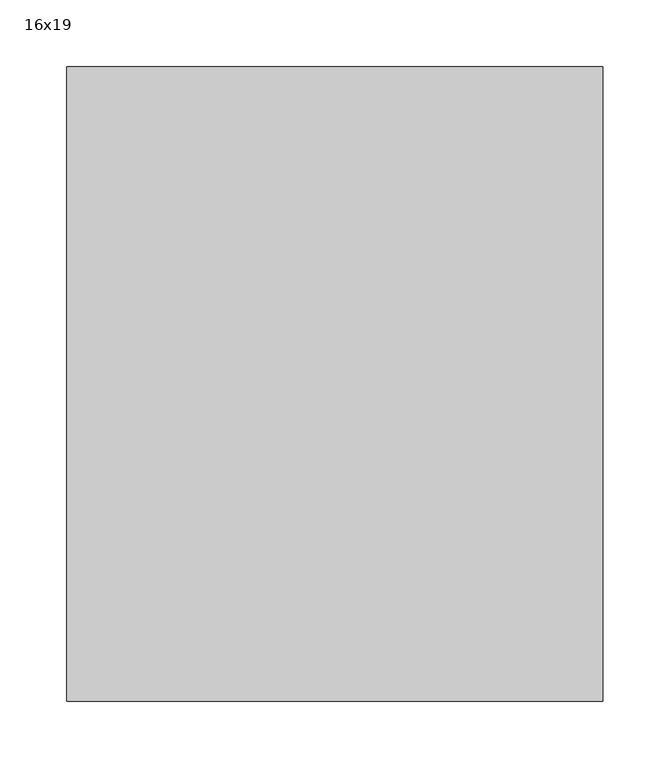
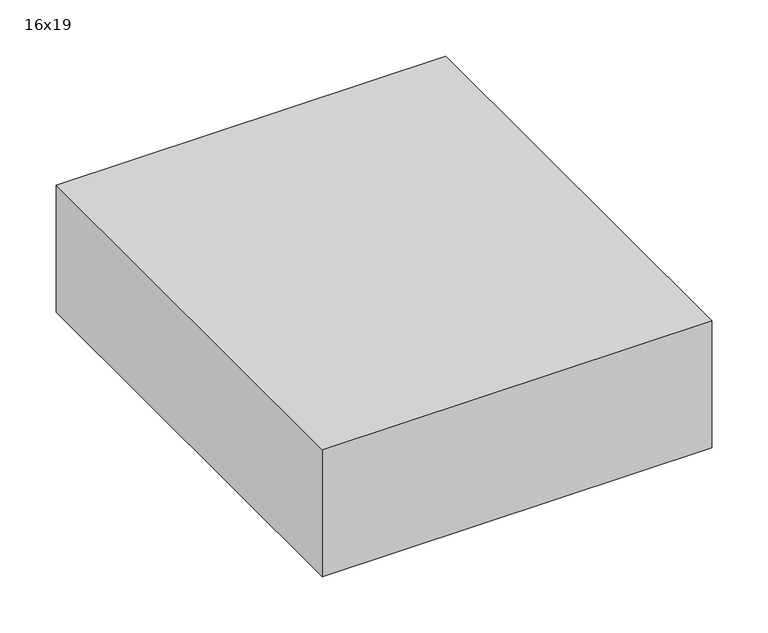
"""IFC4 building model written with IfcOpenShell, lengths in millimetres: alarm geometry, 16x19."""

from ifc_helpers import new_model, si_unit, frame, origin, place, context, project, spatial, polyline, outline, extrude, source, transform, mapped, element, save


def alarm_16x19_7f16a0a7(model_context):
    return source(origin(), model_context, "Body", "SweptSolid", [
        extrude(outline(polyline([(200.421875, 0.0), (200.421875, -474.265625), (-200.421875, -474.265625), (-200.421875, 0.0), (200.421875, 0.0)])), frame((0.0, 0.0, -111.0257813), z_axis=(0.0, 0.0, 1.0), x_axis=(1.0, 0.0, 0.0)), (0.0, 0.0, 1.0), 138.4101562),
    ])


if __name__ == "__main__":
    model = new_model("IFC4")
    model_context = context("Model", 3, world=origin())
    ifc_project = project(units=[si_unit("LENGTHUNIT", "METRE", prefix="MILLI")], contexts=[model_context])
    site = spatial("IfcSite", under=ifc_project)
    building = spatial("IfcBuilding", under=site)
    placement = place(None, origin())
    alarm_16x19_shape = alarm_16x19_7f16a0a7(model_context)
    element("IfcAlarm", 1, ObjectType="16x19", at=placement, inside=building, context=model_context, shape_type="MappedRepresentation", body=[
        mapped(alarm_16x19_shape, transform((0.0, 0.0, 0.0), x_axis=(1.0, 0.0, 0.0), y_axis=(0.0, 1.0, 0.0), z_axis=(0.0, 0.0, 1.0))),
    ])
    save(model, "model.ifc")
